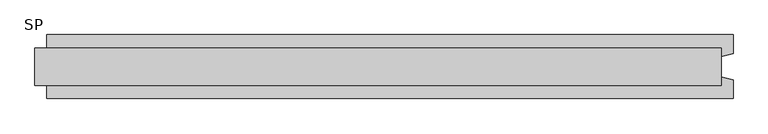
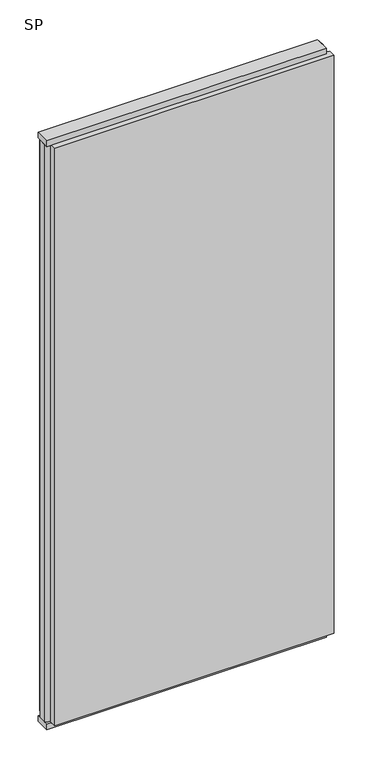
"""IFC4 building model written with IfcOpenShell, lengths in millimetres: plate geometry, SP."""

from ifc_helpers import new_model, si_unit, frame, origin, origin_with_axes, place, context, project, spatial, polyline, outline, extrude, source, transform, mapped, element, save


def sp_b0510754(model_context):
    return source(origin(), model_context, "Body", "SweptSolid", [
        extrude(outline(polyline([(590.0, -32.0), (-590.0, -32.0), (-590.0, 32.0), (590.0, 32.0), (590.0, -32.0)])), origin_with_axes(), (0.0, 0.0, 1.0), 25.0),
        extrude(outline(polyline([(590.0, -32.0), (-590.0, -32.0), (-590.0, 32.0), (590.0, 32.0), (590.0, -32.0)])), frame((0.0, 0.0, 2602.0), z_axis=(0.0, 0.0, 1.0), x_axis=(1.0, 0.0, 0.0)), (0.0, 0.0, 1.0), 25.0),
        extrude(outline(polyline([(610.0, -55.0), (-570.0, -55.0), (-570.0, -22.9993165), (-590.0, -17.6401049), (-590.0, 17.6401049), (-570.0, 22.9993165), (-570.0, 55.0), (610.0, 55.0), (610.0, 22.9993165), (590.0, 17.6401049), (590.0, -17.6401049), (610.0, -22.9993165), (610.0, -55.0)])), frame((0.0, 0.0, 25.0), z_axis=(0.0, 0.0, 1.0), x_axis=(1.0, 0.0, 0.0)), (0.0, 0.0, 1.0), 2577.0),
    ])


if __name__ == "__main__":
    model = new_model("IFC4")
    model_context = context("Model", 3, world=origin())
    ifc_project = project(units=[si_unit("LENGTHUNIT", "METRE", prefix="MILLI")], contexts=[model_context])
    site = spatial("IfcSite", under=ifc_project)
    building = spatial("IfcBuilding", under=site)
    placement = place(None, origin())
    sp_shape = sp_b0510754(model_context)
    element("IfcPlate", 1, ObjectType="SP", at=placement, inside=building, context=model_context, shape_type="MappedRepresentation", body=[
        mapped(sp_shape, transform((0.0, 0.0, 0.0), x_axis=(1.0, 0.0, 0.0), y_axis=(0.0, 1.0, 0.0), z_axis=(0.0, 0.0, 1.0))),
    ])
    save(model, "model.ifc")
